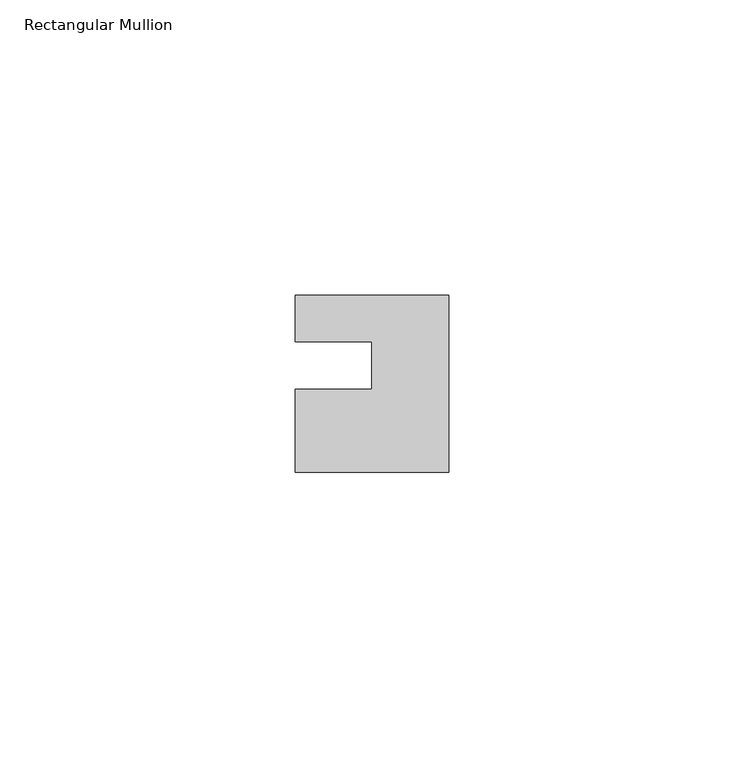
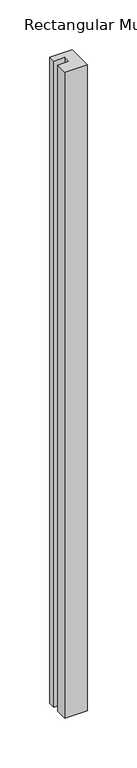
"""IFC4 building model written with IfcOpenShell, lengths in millimetres: member geometry, Rectangular Mullion."""

from ifc_helpers import new_model, si_unit, frame, origin, place, context, project, spatial, polyline, outline, extrude, source, transform, mapped, element, save


def rectangular_mullion_ab211310(model_context):
    return source(origin(), model_context, "Body", "SweptSolid", [
        extrude(outline(polyline([(-26.0, 0.001), (-26.0, 7.94), (0.0, 7.94), (0.0, -22.06), (-26.0, -22.06), (-26.0, -8.0), (-13.0, -8.0), (-13.0, 0.001), (-26.0, 0.001)])), frame((0.0, 0.0, -792.0), z_axis=(0.0, 0.0, 1.0), x_axis=(1.0, 0.0, 0.0)), (0.0, 0.0, 1.0), 792.0),
    ])


if __name__ == "__main__":
    model = new_model("IFC4")
    model_context = context("Model", 3, world=origin())
    ifc_project = project(units=[si_unit("LENGTHUNIT", "METRE", prefix="MILLI")], contexts=[model_context])
    site = spatial("IfcSite", under=ifc_project)
    building = spatial("IfcBuilding", under=site)
    placement = place(None, origin())
    rectangular_mullion_shape = rectangular_mullion_ab211310(model_context)
    element("IfcMember", 1, ObjectType="Rectangular Mullion", at=placement, inside=building, context=model_context, shape_type="MappedRepresentation", body=[
        mapped(rectangular_mullion_shape, transform((0.0, 0.0, 0.0), x_axis=(1.0, 0.0, 0.0), y_axis=(0.0, 1.0, 0.0), z_axis=(0.0, 0.0, 1.0))),
    ])
    save(model, "model.ifc")
